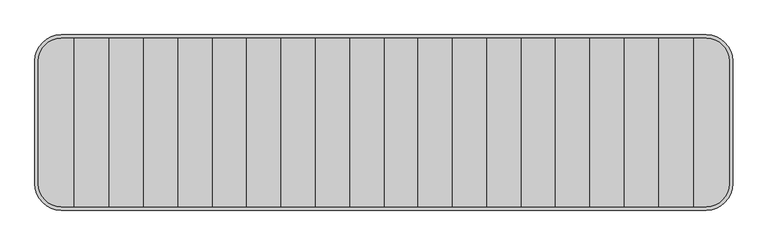
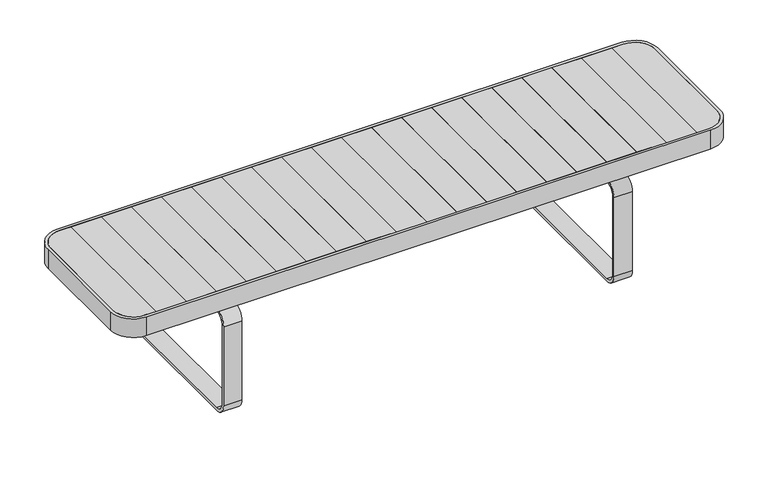
"""IFC4 building model written with IfcOpenShell, lengths in millimetres: furniture geometry."""

from ifc_helpers import new_model, si_unit, point, frame, frame_2d, origin, origin_with_axes, place, context, project, spatial, polyline, circle_curve, trimmed, segment, composite_curve, outline, extrude, source, transform, mapped, element, save
from ifc_brep_helpers import plane_surface, cylinder_surface, advanced_brep


def furniture_ef5a011c(model_context):
    return source(origin(), model_context, "Body", "SolidModel", [
        extrude(outline(polyline([(-789.6, -242.0), (-888.3, -242.0), (-888.3, 242.0), (-789.6, 242.0), (-789.6, -242.0)])), frame((0.0, 0.0, 422.0), z_axis=(0.0, 0.0, 1.0), x_axis=(1.0, 0.0, 0.0)), (0.0, 0.0, 1.0), 28.0),
        extrude(outline(polyline([(-690.9, -242.0), (-789.6, -242.0), (-789.6, 242.0), (-690.9, 242.0), (-690.9, -242.0)])), frame((0.0, 0.0, 422.0), z_axis=(0.0, 0.0, 1.0), x_axis=(1.0, 0.0, 0.0)), (0.0, 0.0, 1.0), 28.0),
        extrude(outline(polyline([(-592.2, -242.0), (-690.9, -242.0), (-690.9, 242.0), (-592.2, 242.0), (-592.2, -242.0)])), frame((0.0, 0.0, 422.0), z_axis=(0.0, 0.0, 1.0), x_axis=(1.0, 0.0, 0.0)), (0.0, 0.0, 1.0), 28.0),
        extrude(outline(polyline([(-493.5, -242.0), (-592.2, -242.0), (-592.2, 242.0), (-493.5, 242.0), (-493.5, -242.0)])), frame((0.0, 0.0, 422.0), z_axis=(0.0, 0.0, 1.0), x_axis=(1.0, 0.0, 0.0)), (0.0, 0.0, 1.0), 28.0),
        extrude(outline(polyline([(-394.8, -242.0), (-493.5, -242.0), (-493.5, 242.0), (-394.8, 242.0), (-394.8, -242.0)])), frame((0.0, 0.0, 422.0), z_axis=(0.0, 0.0, 1.0), x_axis=(1.0, 0.0, 0.0)), (0.0, 0.0, 1.0), 28.0),
        extrude(outline(polyline([(-296.1, -242.0), (-394.8, -242.0), (-394.8, 242.0), (-296.1, 242.0), (-296.1, -242.0)])), frame((0.0, 0.0, 422.0), z_axis=(0.0, 0.0, 1.0), x_axis=(1.0, 0.0, 0.0)), (0.0, 0.0, 1.0), 28.0),
        extrude(outline(composite_curve([segment(polyline([(-991.9176702, -177.0), (-991.9176702, 177.0)]), True, "CONTINUOUS"), segment(trimmed(circle_curve(frame_2d((-926.9176702, 177.0)), 65.0), [point((-991.9176702, 177.0))], [point((-926.9176702, 242.0))], False, "CARTESIAN"), True, "CONTINUOUS"), segment(polyline([(-926.9176702, 242.0), (-888.3, 242.0), (-888.3, -242.0), (-926.9176702, -242.0)]), True, "CONTINUOUS"), segment(trimmed(circle_curve(frame_2d((-926.9176702, -177.0)), 65.0), [point((-926.9176702, -242.0))], [point((-991.9176702, -177.0))], False, "CARTESIAN"), True, "CONTINUOUS")], self_intersect=False)), frame((0.0, 0.0, 422.0), z_axis=(0.0, 0.0, 1.0), x_axis=(1.0, 0.0, 0.0)), (0.0, 0.0, 1.0), 28.0),
        extrude(outline(polyline([(-197.4, -242.0), (-296.1, -242.0), (-296.1, 242.0), (-197.4, 242.0), (-197.4, -242.0)])), frame((0.0, 0.0, 422.0), z_axis=(0.0, 0.0, 1.0), x_axis=(1.0, 0.0, 0.0)), (0.0, 0.0, 1.0), 28.0),
        extrude(outline(polyline([(-98.7, -242.0), (-197.4, -242.0), (-197.4, 242.0), (-98.7, 242.0), (-98.7, -242.0)])), frame((0.0, 0.0, 422.0), z_axis=(0.0, 0.0, 1.0), x_axis=(1.0, 0.0, 0.0)), (0.0, 0.0, 1.0), 28.0),
        extrude(outline(polyline([(0.0, -242.0), (-98.7, -242.0), (-98.7, 242.0), (0.0, 242.0), (0.0, -242.0)])), frame((0.0, 0.0, 422.0), z_axis=(0.0, 0.0, 1.0), x_axis=(1.0, 0.0, 0.0)), (0.0, 0.0, 1.0), 28.0),
        extrude(outline(polyline([(888.3, -242.0), (789.6, -242.0), (789.6, 242.0), (888.3, 242.0), (888.3, -242.0)])), frame((0.0, 0.0, 422.0), z_axis=(0.0, 0.0, 1.0), x_axis=(1.0, 0.0, 0.0)), (0.0, 0.0, 1.0), 28.0),
        extrude(outline(polyline([(789.6, -242.0), (690.9, -242.0), (690.9, 242.0), (789.6, 242.0), (789.6, -242.0)])), frame((0.0, 0.0, 422.0), z_axis=(0.0, 0.0, 1.0), x_axis=(1.0, 0.0, 0.0)), (0.0, 0.0, 1.0), 28.0),
        extrude(outline(polyline([(690.9, -242.0), (592.2, -242.0), (592.2, 242.0), (690.9, 242.0), (690.9, -242.0)])), frame((0.0, 0.0, 422.0), z_axis=(0.0, 0.0, 1.0), x_axis=(1.0, 0.0, 0.0)), (0.0, 0.0, 1.0), 28.0),
        extrude(outline(polyline([(592.2, -242.0), (493.5, -242.0), (493.5, 242.0), (592.2, 242.0), (592.2, -242.0)])), frame((0.0, 0.0, 422.0), z_axis=(0.0, 0.0, 1.0), x_axis=(1.0, 0.0, 0.0)), (0.0, 0.0, 1.0), 28.0),
        extrude(outline(polyline([(493.5, -242.0), (394.8, -242.0), (394.8, 242.0), (493.5, 242.0), (493.5, -242.0)])), frame((0.0, 0.0, 422.0), z_axis=(0.0, 0.0, 1.0), x_axis=(1.0, 0.0, 0.0)), (0.0, 0.0, 1.0), 28.0),
        extrude(outline(polyline([(394.8, -242.0), (296.1, -242.0), (296.1, 242.0), (394.8, 242.0), (394.8, -242.0)])), frame((0.0, 0.0, 422.0), z_axis=(0.0, 0.0, 1.0), x_axis=(1.0, 0.0, 0.0)), (0.0, 0.0, 1.0), 28.0),
        extrude(outline(polyline([(-117.9984649, 418.0), (117.9984649, 418.0), (117.9984649, 364.9997207), (112.9984649, 364.9997207), (112.9984649, 413.0), (-112.9984649, 413.0), (-112.9984649, 364.9997207), (-117.9984649, 364.9997207), (-117.9984649, 418.0)])), frame((611.5785687, 0.0, 0.0), z_axis=(1.0, 0.0, 0.0), x_axis=(0.0, 1.0, 0.0)), (0.0, 0.0, 1.0), 60.0),
        extrude(outline(composite_curve([segment(polyline([(250.0000534, 324.9997207), (250.0000534, 49.9997207)]), True, "CONTINUOUS"), segment(trimmed(circle_curve(frame_2d((210.0000534, 49.9997207)), 40.0), [point((250.0000534, 49.9997207))], [point((210.0000534, 9.9997207))], False, "CARTESIAN"), True, "CONTINUOUS"), segment(polyline([(210.0000534, 9.9997207), (-210.0000534, 9.9997207)]), True, "CONTINUOUS"), segment(trimmed(circle_curve(frame_2d((-210.0000534, 49.9997207)), 40.0), [point((-210.0000534, 9.9997207))], [point((-250.0000534, 49.9997207))], False, "CARTESIAN"), True, "CONTINUOUS"), segment(polyline([(-250.0000534, 49.9997207), (-250.0000534, 324.9997207)]), True, "CONTINUOUS"), segment(trimmed(circle_curve(frame_2d((-210.0000534, 324.9997207)), 40.0), [point((-250.0000534, 324.9997207))], [point((-210.0000534, 364.9997207))], False, "CARTESIAN"), True, "CONTINUOUS"), segment(polyline([(-210.0000534, 364.9997207), (210.0000534, 364.9997207)]), True, "CONTINUOUS"), segment(trimmed(circle_curve(frame_2d((210.0000534, 324.9997207)), 40.0), [point((210.0000534, 364.9997207))], [point((250.0000534, 324.9997207))], False, "CARTESIAN"), True, "CONTINUOUS")], self_intersect=False), holes=[composite_curve([segment(polyline([(-240.0000534, 324.9997207), (-240.0000534, 49.9997207)]), True, "CONTINUOUS"), segment(trimmed(circle_curve(frame_2d((-210.0000534, 49.9997207)), 30.0), [point((-240.0000534, 49.9997207))], [point((-210.0000534, 19.9997207))], True, "CARTESIAN"), True, "CONTINUOUS"), segment(polyline([(-210.0000534, 19.9997207), (210.0000534, 19.9997207)]), True, "CONTINUOUS"), segment(trimmed(circle_curve(frame_2d((210.0000534, 49.9997207)), 30.0), [point((210.0000534, 19.9997207))], [point((240.0000534, 49.9997207))], True, "CARTESIAN"), True, "CONTINUOUS"), segment(polyline([(240.0000534, 49.9997207), (240.0000534, 324.9997207)]), True, "CONTINUOUS"), segment(trimmed(circle_curve(frame_2d((210.0000534, 324.9997207)), 30.0), [point((240.0000534, 324.9997207))], [point((210.0000534, 354.9997207))], True, "CARTESIAN"), True, "CONTINUOUS"), segment(polyline([(210.0000534, 354.9997207), (-210.0000534, 354.9997207)]), True, "CONTINUOUS"), segment(trimmed(circle_curve(frame_2d((-210.0000534, 324.9997207)), 30.0), [point((-210.0000534, 354.9997207))], [point((-240.0000534, 324.9997207))], True, "CARTESIAN"), True, "CONTINUOUS")], self_intersect=False)]), frame((611.5785687, 0.0, 0.0), z_axis=(1.0, 0.0, 0.0), x_axis=(0.0, 1.0, 0.0)), (0.0, 0.0, 1.0), 60.0),
        extrude(outline(polyline([(-117.9984649, 418.0), (117.9984649, 418.0), (117.9984649, 364.9997207), (112.9984649, 364.9997207), (112.9984649, 413.0), (-112.9984649, 413.0), (-112.9984649, 364.9997207), (-117.9984649, 364.9997207), (-117.9984649, 418.0)])), frame((-671.5785687, 0.0, 0.0), z_axis=(1.0, 0.0, 0.0), x_axis=(0.0, 1.0, 0.0)), (0.0, 0.0, 1.0), 60.0),
        extrude(outline(composite_curve([segment(trimmed(circle_curve(frame_2d((-641.55, -190.018381)), 15.0), [point((-656.55, -190.018381))], [point((-626.55, -190.018381))], False, "CARTESIAN"), True, "CONTINUOUS"), segment(trimmed(circle_curve(frame_2d((-641.55, -190.018381)), 15.0), [point((-626.55, -190.018381))], [point((-656.55, -190.018381))], False, "CARTESIAN"), True, "CONTINUOUS")], self_intersect=False)), origin_with_axes(), (0.0, 0.0, 1.0), 10.0),
        extrude(outline(composite_curve([segment(trimmed(circle_curve(frame_2d((-641.55, 190.018381)), 15.0), [point((-656.55, 190.018381))], [point((-626.55, 190.018381))], False, "CARTESIAN"), True, "CONTINUOUS"), segment(trimmed(circle_curve(frame_2d((-641.55, 190.018381)), 15.0), [point((-626.55, 190.018381))], [point((-656.55, 190.018381))], False, "CARTESIAN"), True, "CONTINUOUS")], self_intersect=False)), origin_with_axes(), (0.0, 0.0, 1.0), 10.0),
        extrude(outline(composite_curve([segment(trimmed(circle_curve(frame_2d((641.55, -190.018381)), 15.0), [point((656.55, -190.018381))], [point((626.55, -190.018381))], False, "CARTESIAN"), True, "CONTINUOUS"), segment(trimmed(circle_curve(frame_2d((641.55, -190.018381)), 15.0), [point((626.55, -190.018381))], [point((656.55, -190.018381))], False, "CARTESIAN"), True, "CONTINUOUS")], self_intersect=False)), origin_with_axes(), (0.0, 0.0, 1.0), 10.0),
        extrude(outline(composite_curve([segment(trimmed(circle_curve(frame_2d((641.55, 190.018381)), 15.0), [point((656.55, 190.018381))], [point((626.55, 190.018381))], False, "CARTESIAN"), True, "CONTINUOUS"), segment(trimmed(circle_curve(frame_2d((641.55, 190.018381)), 15.0), [point((626.55, 190.018381))], [point((656.55, 190.018381))], False, "CARTESIAN"), True, "CONTINUOUS")], self_intersect=False)), origin_with_axes(), (0.0, 0.0, 1.0), 10.0),
        extrude(outline(composite_curve([segment(polyline([(250.0000534, 324.9997207), (250.0000534, 49.9997207)]), True, "CONTINUOUS"), segment(trimmed(circle_curve(frame_2d((210.0000534, 49.9997207)), 40.0), [point((250.0000534, 49.9997207))], [point((210.0000534, 9.9997207))], False, "CARTESIAN"), True, "CONTINUOUS"), segment(polyline([(210.0000534, 9.9997207), (-210.0000534, 9.9997207)]), True, "CONTINUOUS"), segment(trimmed(circle_curve(frame_2d((-210.0000534, 49.9997207)), 40.0), [point((-210.0000534, 9.9997207))], [point((-250.0000534, 49.9997207))], False, "CARTESIAN"), True, "CONTINUOUS"), segment(polyline([(-250.0000534, 49.9997207), (-250.0000534, 324.9997207)]), True, "CONTINUOUS"), segment(trimmed(circle_curve(frame_2d((-210.0000534, 324.9997207)), 40.0), [point((-250.0000534, 324.9997207))], [point((-210.0000534, 364.9997207))], False, "CARTESIAN"), True, "CONTINUOUS"), segment(polyline([(-210.0000534, 364.9997207), (210.0000534, 364.9997207)]), True, "CONTINUOUS"), segment(trimmed(circle_curve(frame_2d((210.0000534, 324.9997207)), 40.0), [point((210.0000534, 364.9997207))], [point((250.0000534, 324.9997207))], False, "CARTESIAN"), True, "CONTINUOUS")], self_intersect=False), holes=[composite_curve([segment(polyline([(-240.0000534, 324.9997207), (-240.0000534, 49.9997207)]), True, "CONTINUOUS"), segment(trimmed(circle_curve(frame_2d((-210.0000534, 49.9997207)), 30.0), [point((-240.0000534, 49.9997207))], [point((-210.0000534, 19.9997207))], True, "CARTESIAN"), True, "CONTINUOUS"), segment(polyline([(-210.0000534, 19.9997207), (210.0000534, 19.9997207)]), True, "CONTINUOUS"), segment(trimmed(circle_curve(frame_2d((210.0000534, 49.9997207)), 30.0), [point((210.0000534, 19.9997207))], [point((240.0000534, 49.9997207))], True, "CARTESIAN"), True, "CONTINUOUS"), segment(polyline([(240.0000534, 49.9997207), (240.0000534, 324.9997207)]), True, "CONTINUOUS"), segment(trimmed(circle_curve(frame_2d((210.0000534, 324.9997207)), 30.0), [point((240.0000534, 324.9997207))], [point((210.0000534, 354.9997207))], True, "CARTESIAN"), True, "CONTINUOUS"), segment(polyline([(210.0000534, 354.9997207), (-210.0000534, 354.9997207)]), True, "CONTINUOUS"), segment(trimmed(circle_curve(frame_2d((-210.0000534, 324.9997207)), 30.0), [point((-210.0000534, 354.9997207))], [point((-240.0000534, 324.9997207))], True, "CARTESIAN"), True, "CONTINUOUS")], self_intersect=False)]), frame((-671.5785687, 0.0, 0.0), z_axis=(1.0, 0.0, 0.0), x_axis=(0.0, 1.0, 0.0)), (0.0, 0.0, 1.0), 60.0),
        advanced_brep(
        [(-991.9176702, 177.0, 422.0), (-991.9176702, -177.0, 422.0), (-926.9176702, -242.0, 422.0), (926.9176702, -242.0, 422.0), (991.9176702, -177.0, 422.0), (991.9176702, 177.0, 422.0), (926.9176702, 242.0, 422.0), (-926.9176702, 242.0, 422.0), (893.3, 141.9868511, 422.0), (893.3, -142.0, 422.0), (682.0785308, -142.0, 422.0), (682.0785308, 142.0, 422.0), (-893.3, -142.0, 422.0), (-893.3, 141.9868511, 422.0), (-682.0785308, 141.9868511, 422.0), (-682.0785308, -142.0, 422.0), (-601.0618569, 141.9868511, 422.0), (601.0618569, 141.9868511, 422.0), (601.0618569, -142.0, 422.0), (-601.0618569, -142.0, 422.0), (-991.9176702, 177.0, 418.0), (-926.9176702, 242.0, 418.0), (926.9176702, 242.0, 418.0), (991.9176702, 177.0, 418.0), (991.9176702, -177.0, 418.0), (926.9176702, -242.0, 418.0), (-926.9176702, -242.0, 418.0), (-991.9176702, -177.0, 418.0), (893.3, -142.0, 418.0), (893.3, 141.9868511, 418.0), (682.0785308, 141.9868511, 418.0), (682.0785308, -142.0, 418.0), (-893.3, 141.9868511, 418.0), (-893.3, -142.0, 418.0), (-682.0785308, -142.0, 418.0), (-682.0785308, 142.0, 418.0), (-601.0618569, -142.0, 418.0), (601.0618569, -142.0, 418.0), (601.0618569, 142.0, 418.0), (-601.0618569, 141.9868511, 418.0)],
        [
            (0, 1),
            (1, 2, circle_curve(frame((-926.9176702, -177.0, 422.0), z_axis=(0.0, 0.0, 1.0), x_axis=(1.0, 0.0, 0.0)), 65.0)),
            (2, 3),
            (3, 4, circle_curve(frame((926.9176702, -177.0, 422.0), z_axis=(0.0, 0.0, 1.0), x_axis=(-1.0, 0.0, 0.0)), 65.0)),
            (4, 5),
            (5, 6, circle_curve(frame((926.9176702, 177.0, 422.0), z_axis=(0.0, 0.0, 1.0), x_axis=(-1.0, 0.0, 0.0)), 65.0)),
            (6, 7),
            (7, 0, circle_curve(frame((-926.9176702, 177.0, 422.0), z_axis=(0.0, 0.0, 1.0), x_axis=(1.0, 0.0, 0.0)), 65.0)),
            (8, 9),
            (9, 10),
            (10, 11),
            (11, 8),
            (12, 13),
            (13, 14),
            (14, 15),
            (15, 12),
            (16, 17),
            (17, 18),
            (18, 19),
            (19, 16),
            (20, 21, circle_curve(frame((-926.9176702, 177.0, 418.0), z_axis=(0.0, 0.0, -1.0), x_axis=(1.0, 0.0, 0.0)), 65.0)),
            (21, 22),
            (22, 23, circle_curve(frame((926.9176702, 177.0, 418.0), z_axis=(0.0, 0.0, -1.0), x_axis=(-1.0, 0.0, 0.0)), 65.0)),
            (23, 24),
            (24, 25, circle_curve(frame((926.9176702, -177.0, 418.0), z_axis=(0.0, 0.0, -1.0), x_axis=(-1.0, 0.0, 0.0)), 65.0)),
            (25, 26),
            (26, 27, circle_curve(frame((-926.9176702, -177.0, 418.0), z_axis=(0.0, 0.0, -1.0), x_axis=(1.0, 0.0, 0.0)), 65.0)),
            (27, 20),
            (28, 29),
            (29, 30),
            (30, 31),
            (31, 28),
            (32, 33),
            (33, 34),
            (34, 35),
            (35, 32),
            (36, 37),
            (37, 38),
            (38, 39),
            (39, 36),
            (0, 20),
            (27, 1),
            (26, 2),
            (25, 3),
            (24, 4),
            (23, 5),
            (22, 6),
            (21, 7),
            (29, 8),
            (11, 30),
            (13, 32),
            (35, 14),
            (16, 39),
            (38, 17),
            (28, 9),
            (31, 10),
            (33, 12),
            (15, 34),
            (36, 19),
            (18, 37),
        ],
        [
            plane_surface(frame((-991.9176702, -177.0, 422.0), z_axis=(0.0, 0.0, 1.0), x_axis=(0.0, -1.0, 0.0))),
            plane_surface(frame((-991.9176702, -177.0, 418.0), z_axis=(0.0, 0.0, -1.0), x_axis=(0.0, 1.0, 0.0))),
            plane_surface(frame((-991.9176702, 177.0, 422.0), z_axis=(-1.0, 0.0, 0.0), x_axis=(0.0, 0.0, -1.0))),
            cylinder_surface(frame((-926.9176702, -177.0, 418.0), z_axis=(0.0, 0.0, 1.0), x_axis=(1.0, 0.0, 0.0)), 65.0),
            plane_surface(frame((-926.9176702, -242.0, 422.0), z_axis=(0.0, -1.0, 0.0), x_axis=(0.0, 0.0, -1.0))),
            cylinder_surface(frame((926.9176702, -177.0, 418.0), z_axis=(0.0, 0.0, 1.0), x_axis=(-1.0, 0.0, 0.0)), 65.0),
            plane_surface(frame((991.9176702, -177.0, 422.0), z_axis=(1.0, 0.0, 0.0), x_axis=(0.0, 0.0, -1.0))),
            cylinder_surface(frame((926.9176702, 177.0, 418.0), z_axis=(0.0, 0.0, 1.0), x_axis=(-1.0, 0.0, 0.0)), 65.0),
            plane_surface(frame((926.9176702, 242.0, 422.0), z_axis=(0.0, 1.0, 0.0), x_axis=(0.0, 0.0, -1.0))),
            cylinder_surface(frame((-926.9176702, 177.0, 418.0), z_axis=(0.0, 0.0, 1.0), x_axis=(1.0, 0.0, 0.0)), 65.0),
            plane_surface(frame((-893.3, 141.9868511, 422.0), z_axis=(0.0, -1.0, 0.0), x_axis=(0.0, 0.0, -1.0))),
            plane_surface(frame((893.3, 141.9868511, 422.0), z_axis=(-1.0, 0.0, 0.0), x_axis=(0.0, 0.0, -1.0))),
            plane_surface(frame((893.3, -142.0, 422.0), z_axis=(0.0, 1.0, 0.0), x_axis=(0.0, 0.0, -1.0))),
            plane_surface(frame((-893.3, -142.0, 422.0), z_axis=(1.0, 0.0, 0.0), x_axis=(0.0, 0.0, -1.0))),
            plane_surface(frame((-682.0785308, -142.0, 422.0), z_axis=(-1.0, 0.0, 0.0), x_axis=(0.0, 1.0, 0.0))),
            plane_surface(frame((-601.0618569, -142.0, 418.0), z_axis=(1.0, 0.0, 0.0), x_axis=(0.0, 1.0, 0.0))),
            plane_surface(frame((682.0785308, -142.0, 418.0), z_axis=(1.0, 0.0, 0.0), x_axis=(0.0, 1.0, 0.0))),
            plane_surface(frame((601.0618569, -142.0, 422.0), z_axis=(-1.0, 0.0, 0.0), x_axis=(0.0, 1.0, 0.0))),
        ],
        [
            (0, [[1, 2, 3, 4, 5, 6, 7, 8], [9, 10, 11, 12], [13, 14, 15, 16], [17, 18, 19, 20]]),
            (1, [[21, 22, 23, 24, 25, 26, 27, 28], [29, 30, 31, 32], [33, 34, 35, 36], [37, 38, 39, 40]]),
            (2, [[-1, 41, -28, 42]]),
            (3, [[-2, -42, -27, 43]]),
            (4, [[-3, -43, -26, 44]]),
            (5, [[-4, -44, -25, 45]]),
            (6, [[-5, -45, -24, 46]]),
            (7, [[-6, -46, -23, 47]]),
            (8, [[-7, -47, -22, 48]]),
            (9, [[-8, -48, -21, -41]]),
            (10, [[49, -12, 50, -30]]),
            (10, [[51, -36, 52, -14]]),
            (10, [[53, -39, 54, -17]]),
            (11, [[-9, -49, -29, 55]]),
            (12, [[-55, -32, 56, -10]]),
            (12, [[57, -16, 58, -34]]),
            (12, [[59, -19, 60, -37]]),
            (13, [[-13, -57, -33, -51]]),
            (14, [[-35, -58, -15, -52]]),
            (15, [[-40, -53, -20, -59]]),
            (16, [[-31, -50, -11, -56]]),
            (17, [[-38, -60, -18, -54]]),
        ],
    ),
        extrude(outline(composite_curve([segment(trimmed(circle_curve(frame_2d((926.9176702, -177.0)), 65.0), [point((991.9176702, -177.0))], [point((926.9176702, -242.0))], False, "CARTESIAN"), True, "CONTINUOUS"), segment(polyline([(926.9176702, -242.0), (888.3, -242.0), (888.3, 242.0), (926.9176702, 242.0)]), True, "CONTINUOUS"), segment(trimmed(circle_curve(frame_2d((926.9176702, 177.0)), 65.0), [point((926.9176702, 242.0))], [point((991.9176702, 177.0))], False, "CARTESIAN"), True, "CONTINUOUS"), segment(polyline([(991.9176702, 177.0), (991.9176702, -177.0)]), True, "CONTINUOUS")], self_intersect=False)), frame((0.0, 0.0, 422.0), z_axis=(0.0, 0.0, 1.0), x_axis=(1.0, 0.0, 0.0)), (0.0, 0.0, 1.0), 28.0),
        extrude(outline(polyline([(296.1, -242.0), (197.4, -242.0), (197.4, 242.0), (296.1, 242.0), (296.1, -242.0)])), frame((0.0, 0.0, 422.0), z_axis=(0.0, 0.0, 1.0), x_axis=(1.0, 0.0, 0.0)), (0.0, 0.0, 1.0), 28.0),
        extrude(outline(polyline([(197.4, -242.0), (98.7, -242.0), (98.7, 242.0), (197.4, 242.0), (197.4, -242.0)])), frame((0.0, 0.0, 422.0), z_axis=(0.0, 0.0, 1.0), x_axis=(1.0, 0.0, 0.0)), (0.0, 0.0, 1.0), 28.0),
        extrude(outline(polyline([(98.7, -242.0), (0.0, -242.0), (0.0, 242.0), (98.7, 242.0), (98.7, -242.0)])), frame((0.0, 0.0, 422.0), z_axis=(0.0, 0.0, 1.0), x_axis=(1.0, 0.0, 0.0)), (0.0, 0.0, 1.0), 28.0),
        extrude(outline(composite_curve([segment(polyline([(-1001.9176702, -177.0), (-1001.9176702, 177.0)]), True, "CONTINUOUS"), segment(trimmed(circle_curve(frame_2d((-926.9176702, 177.0)), 75.0), [point((-1001.9176702, 177.0))], [point((-926.9176702, 252.0))], False, "CARTESIAN"), True, "CONTINUOUS"), segment(polyline([(-926.9176702, 252.0), (926.9176702, 252.0)]), True, "CONTINUOUS"), segment(trimmed(circle_curve(frame_2d((926.9176702, 177.0)), 75.0), [point((926.9176702, 252.0))], [point((1001.9176702, 177.0))], False, "CARTESIAN"), True, "CONTINUOUS"), segment(polyline([(1001.9176702, 177.0), (1001.9176702, -177.0)]), True, "CONTINUOUS"), segment(trimmed(circle_curve(frame_2d((926.9176702, -177.0)), 75.0), [point((1001.9176702, -177.0))], [point((926.9176702, -252.0))], False, "CARTESIAN"), True, "CONTINUOUS"), segment(polyline([(926.9176702, -252.0), (-926.9176702, -252.0)]), True, "CONTINUOUS"), segment(trimmed(circle_curve(frame_2d((-926.9176702, -177.0)), 75.0), [point((-926.9176702, -252.0))], [point((-1001.9176702, -177.0))], False, "CARTESIAN"), True, "CONTINUOUS")], self_intersect=False), holes=[composite_curve([segment(trimmed(circle_curve(frame_2d((-926.9176702, -177.0)), 65.0), [point((-991.9176702, -177.0))], [point((-926.9176702, -242.0))], True, "CARTESIAN"), True, "CONTINUOUS"), segment(polyline([(-926.9176702, -242.0), (926.9176702, -242.0)]), True, "CONTINUOUS"), segment(trimmed(circle_curve(frame_2d((926.9176702, -177.0)), 65.0), [point((926.9176702, -242.0))], [point((991.9176702, -177.0))], True, "CARTESIAN"), True, "CONTINUOUS"), segment(polyline([(991.9176702, -177.0), (991.9176702, 177.0)]), True, "CONTINUOUS"), segment(trimmed(circle_curve(frame_2d((926.9176702, 177.0)), 65.0), [point((991.9176702, 177.0))], [point((926.9176702, 242.0))], True, "CARTESIAN"), True, "CONTINUOUS"), segment(polyline([(926.9176702, 242.0), (-926.9176702, 242.0)]), True, "CONTINUOUS"), segment(trimmed(circle_curve(frame_2d((-926.9176702, 177.0)), 65.0), [point((-926.9176702, 242.0))], [point((-991.9176702, 177.0))], True, "CARTESIAN"), True, "CONTINUOUS"), segment(polyline([(-991.9176702, 177.0), (-991.9176702, -177.0)]), True, "CONTINUOUS")], self_intersect=False)]), frame((0.0, 0.0, 385.0000413), z_axis=(0.0, 0.0, 1.0), x_axis=(1.0, 0.0, 0.0)), (0.0, 0.0, 1.0), 64.9999587),
    ])


if __name__ == "__main__":
    model = new_model("IFC4")
    model_context = context("Model", 3, world=origin())
    ifc_project = project(units=[si_unit("LENGTHUNIT", "METRE", prefix="MILLI")], contexts=[model_context])
    site = spatial("IfcSite", under=ifc_project)
    building = spatial("IfcBuilding", under=site)
    placement = place(None, origin())
    furniture_shape = furniture_ef5a011c(model_context)
    element("IfcFurniture", 1, at=placement, inside=building, context=model_context, shape_type="MappedRepresentation", body=[
        mapped(furniture_shape, transform((0.0, 0.0, 0.0), x_axis=(1.0, 0.0, 0.0), y_axis=(0.0, 1.0, 0.0), z_axis=(0.0, 0.0, 1.0))),
    ])
    save(model, "model.ifc")
